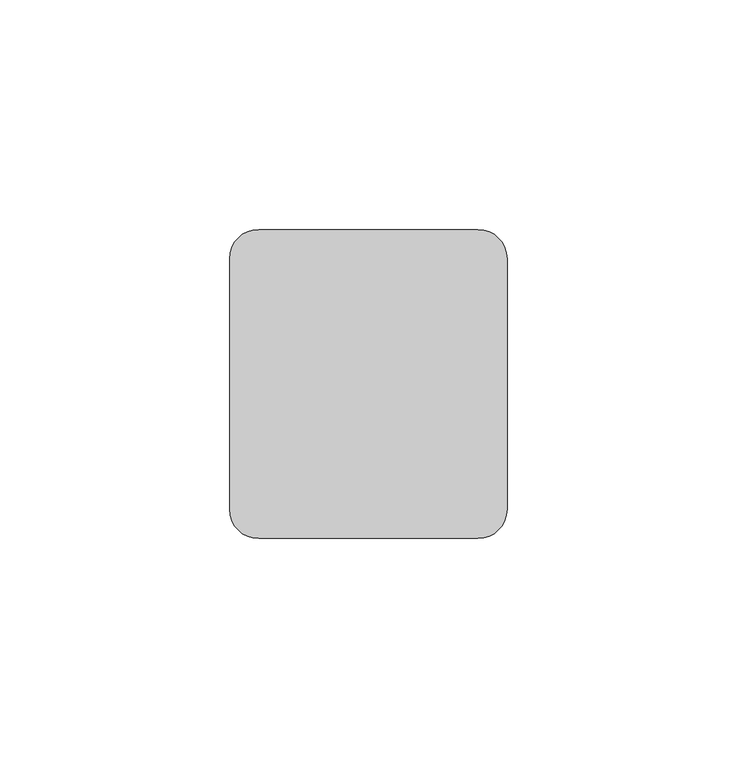
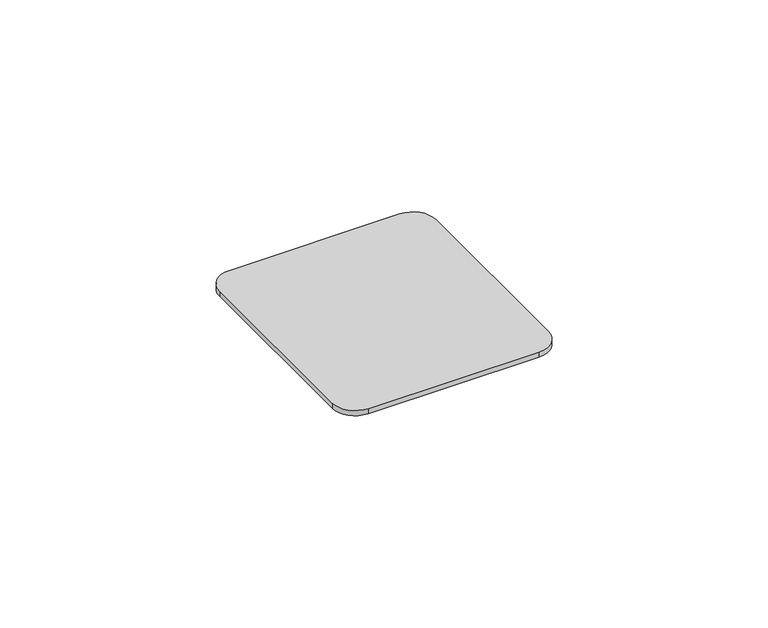
"""IFC4 building model written with IfcOpenShell, lengths in millimetres: furniture geometry."""

from ifc_helpers import new_model, si_unit, point, frame, frame_2d, origin, place, context, project, spatial, polyline, circle_curve, trimmed, segment, composite_curve, outline, extrude, source, transform, mapped, element, save


def furniture_1750874a(model_context):
    return source(origin(), model_context, "Body", "SweptSolid", [
        extrude(outline(composite_curve([segment(polyline([(1018.2859743, 33.6549997), (1066.0380257, 33.6549997)]), True, "CONTINUOUS"), segment(trimmed(circle_curve(frame_2d((1066.0380257, 27.3049997)), 6.35), [point((1066.0380257, 33.6549997))], [point((1072.3880257, 27.3049997))], False, "CARTESIAN"), True, "CONTINUOUS"), segment(polyline([(1072.3880257, 27.3049997), (1072.3880257, -27.3049997)]), True, "CONTINUOUS"), segment(trimmed(circle_curve(frame_2d((1066.0380257, -27.3049997)), 6.35), [point((1072.3880257, -27.3049997))], [point((1066.0380257, -33.6549997))], False, "CARTESIAN"), True, "CONTINUOUS"), segment(polyline([(1066.0380257, -33.6549997), (1018.2859743, -33.6549997)]), True, "CONTINUOUS"), segment(trimmed(circle_curve(frame_2d((1018.2859743, -27.3049997)), 6.35), [point((1018.2859743, -33.6549997))], [point((1011.9359743, -27.3049997))], False, "CARTESIAN"), True, "CONTINUOUS"), segment(polyline([(1011.9359743, -27.3049997), (1011.9359743, 27.3049997)]), True, "CONTINUOUS"), segment(trimmed(circle_curve(frame_2d((1018.2859743, 27.3049997)), 6.35), [point((1011.9359743, 27.3049997))], [point((1018.2859743, 33.6549997))], False, "CARTESIAN"), True, "CONTINUOUS")], self_intersect=False)), frame((0.0, 0.0, 708.6091651), z_axis=(0.0, 0.0, 1.0), x_axis=(1.0, 0.0, 0.0)), (0.0, 0.0, 1.0), 1.5240349),
    ])


if __name__ == "__main__":
    model = new_model("IFC4")
    model_context = context("Model", 3, world=origin())
    ifc_project = project(units=[si_unit("LENGTHUNIT", "METRE", prefix="MILLI")], contexts=[model_context])
    site = spatial("IfcSite", under=ifc_project)
    building = spatial("IfcBuilding", under=site)
    placement = place(None, origin())
    furniture_shape = furniture_1750874a(model_context)
    element("IfcFurniture", 1, at=placement, inside=building, context=model_context, shape_type="MappedRepresentation", body=[
        mapped(furniture_shape, transform((0.0, 0.0, 0.0), x_axis=(1.0, 0.0, 0.0), y_axis=(0.0, 1.0, 0.0), z_axis=(0.0, 0.0, 1.0))),
    ])
    save(model, "model.ifc")
